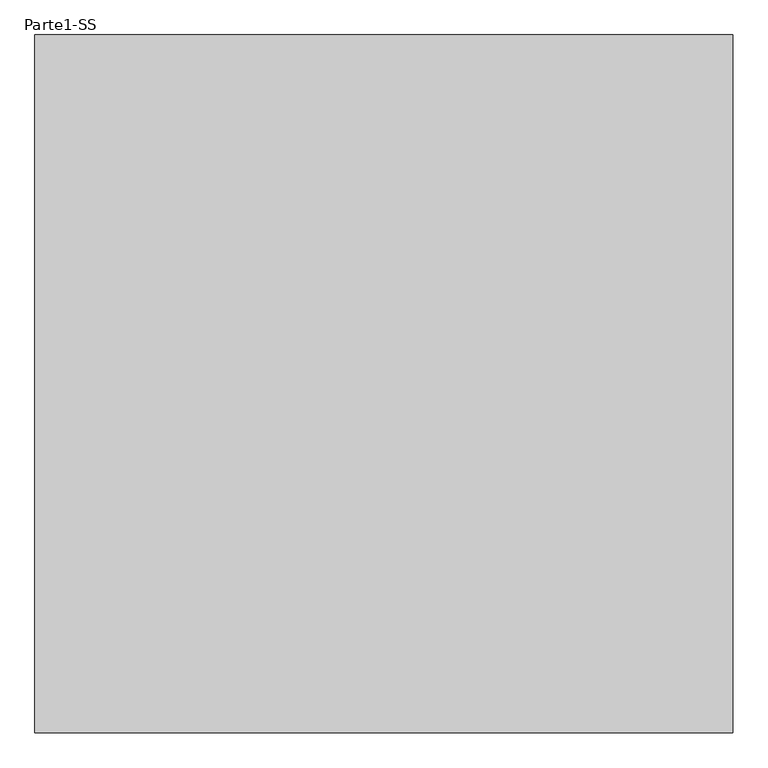
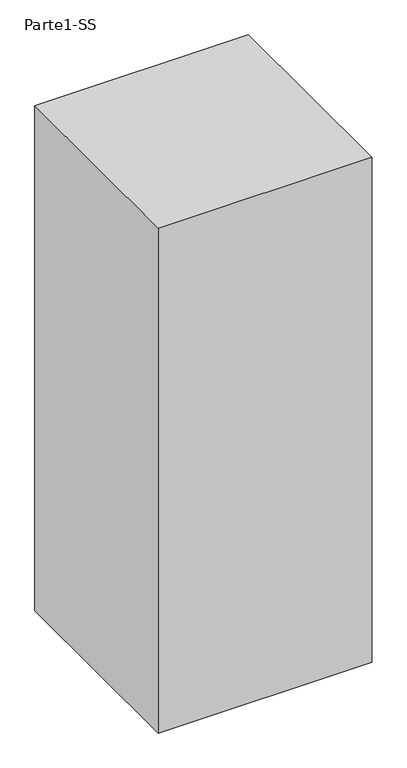
"""IFC4 building model written with IfcOpenShell, lengths in millimetres: proxy geometry, Parte1-SS."""

from ifc_helpers import new_model, si_unit, frame, origin, place, context, project, spatial, polyline, outline, extrude, source, transform, mapped, element, save


def parte1_ss_642e1760(model_context):
    return source(origin(), model_context, "Body", "SweptSolid", [
        extrude(outline(polyline([(10000.0, 10000.0), (10000.0, 0.0), (0.0, 0.0), (0.0, 10000.0), (10000.0, 10000.0)])), frame((0.0, 0.0, 10000.0), z_axis=(0.0, 0.0, 1.0), x_axis=(1.0, 0.0, 0.0)), (0.0, 0.0, 1.0), 25000.0),
    ])


if __name__ == "__main__":
    model = new_model("IFC4")
    model_context = context("Model", 3, world=origin())
    ifc_project = project(units=[si_unit("LENGTHUNIT", "METRE", prefix="MILLI")], contexts=[model_context])
    site = spatial("IfcSite", under=ifc_project)
    building = spatial("IfcBuilding", under=site)
    placement = place(None, origin())
    parte1_ss_shape = parte1_ss_642e1760(model_context)
    element("IfcBuildingElementProxy", 1, Name="Parte1-SS", ObjectType="Parte1-SS", at=placement, inside=building, context=model_context, shape_type="MappedRepresentation", body=[
        mapped(parte1_ss_shape, transform((0.0, 0.0, 0.0), x_axis=(1.0, 0.0, 0.0), y_axis=(0.0, 1.0, 0.0), z_axis=(0.0, 0.0, 1.0))),
    ])
    save(model, "model.ifc")
